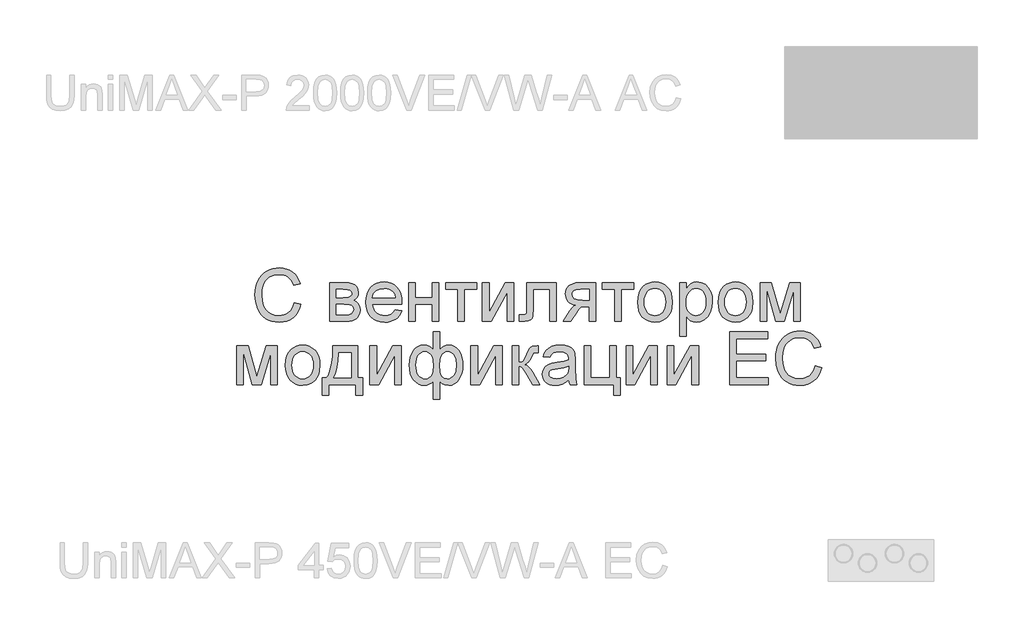
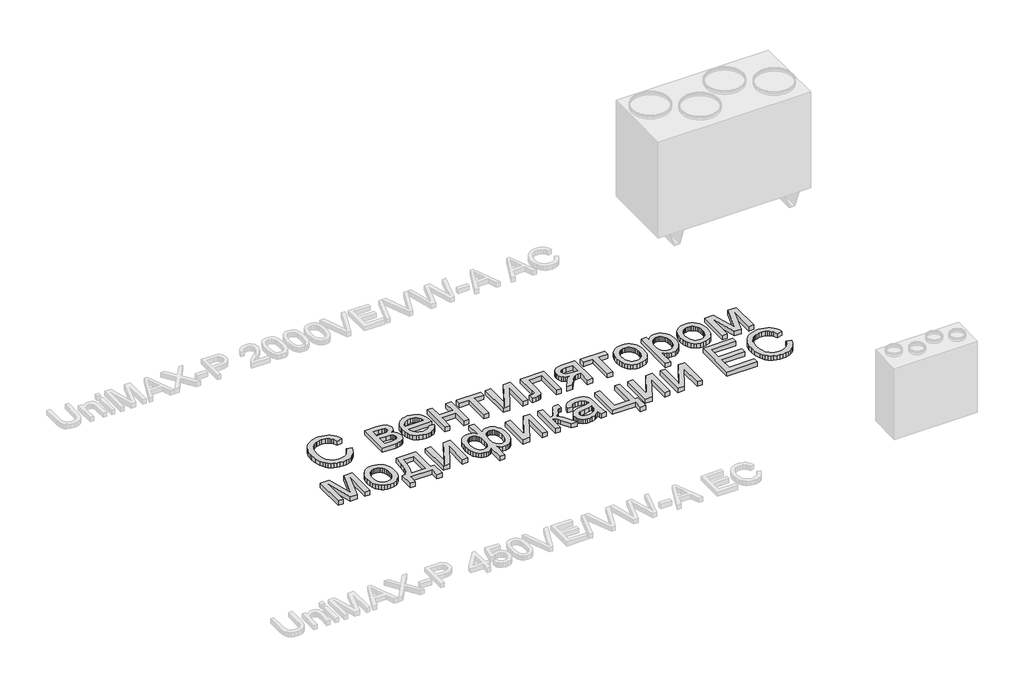
# One storey, part 4 of 74: 1 proxy.
"""IFC4 building model written with IfcOpenShell, lengths in millimetres."""

from ifc_helpers import new_model, si_unit, origin, origin_with_axes, place, context, project, spatial, polyline, outline, extrude, element, save

model = new_model("IFC4")

# Units and contexts
model_context = context("Model", 3, world=origin())
ifc_project = project(units=[si_unit("LENGTHUNIT", "METRE", prefix="MILLI")], contexts=[model_context])

# Site, building, storey
site = spatial("IfcSite", under=ifc_project)
building = spatial("IfcBuilding", under=site)
storey = spatial("IfcBuildingStorey", under=building, Elevation=0.0)

# Proxy
placement = place(None, origin())
element("IfcBuildingElementProxy", 1, Name="Generic Models", at=placement, inside=storey, context=model_context, shape_type="SweptSolid", body=[
    extrude(outline(polyline([(13462.4111042, -33678.9298031), (13518.6181221, -33693.4206749), (13507.4961035, -33728.3751002), (13492.6827549, -33758.9177687), (13474.1780763, -33785.0486803), (13451.9820677, -33806.7678349), (13426.5955972, -33823.8419516), (13398.5195331, -33836.0377492), (13367.7538754, -33843.3552278), (13334.2986241, -33845.7943874), (13300.0234583, -33843.9487223), (13269.1034234, -33838.4117273), (13241.5385193, -33829.1834022), (13217.3287461, -33816.2637471), (13196.1413351, -33799.8448758), (13177.6435177, -33780.1189021), (13161.8352939, -33757.0858261), (13148.7166637, -33730.7456477), (13131.0559138, -33672.699826), (13125.1689971, -33610.5372794), (13126.8328401, -33576.6360495), (13131.8243691, -33544.9715735), (13140.1435841, -33515.5438514), (13151.790485, -33488.3528832), (13166.5043461, -33463.848078), (13184.0244413, -33442.4788449), (13204.3507707, -33424.2451841), (13227.4833343, -33409.1470953), (13252.6365237, -33397.3080805), (13279.0247305, -33388.8516414), (13306.6479549, -33383.7777779), (13335.5061967, -33382.0864901), (13367.6543879, -33384.2752155), (13397.1335691, -33390.8413918), (13423.9437402, -33401.7850189), (13448.0849014, -33417.1060969), (13469.1591025, -33436.3998145), (13486.7683934, -33459.2613603), (13500.9127742, -33485.6907344), (13511.5922448, -33515.6879368), (13455.385227, -33529.0810153), (13435.8993956, -33488.0921573), (13423.4806087, -33472.4245883), (13409.2779076, -33459.9749259), (13393.208958, -33450.4893056), (13375.1914251, -33443.7138624), (13333.3106101, -33438.2935079), (13308.0956698, -33439.7961125), (13285.0351489, -33444.3039263), (13264.1290474, -33451.8169494), (13245.3773653, -33462.3351816), (13229.0168143, -33475.3851996), (13215.284106, -33490.4935802), (13204.1792405, -33507.6603232), (13195.7022177, -33526.8854286), (13184.9575656, -33568.0252332), (13181.3760149, -33610.4275001), (13185.6162416, -33662.353124), (13198.3369217, -33707.2528707), (13207.9975029, -33726.6392146), (13220.0183397, -33743.4114381), (13234.3994322, -33757.5695413), (13251.1407803, -33769.1135241), (13288.4520306, -33784.4689082), (13328.6998781, -33789.5873695), (13353.1360713, -33787.8446226), (13375.61682, -33782.6163819), (13396.1421245, -33773.9026475), (13414.7119846, -33761.7034192), (13430.887283, -33746.0735869), (13444.2289024, -33727.0680401), (13454.7368428, -33704.6867788), (13462.4111042, -33678.9298031)])), origin_with_axes(), (0.0, 0.0, 1.0), 50.0),
    extrude(outline(polyline([(13764.5238252, -33508.5522802), (13888.3549114, -33508.5522802), (13928.1636415, -33510.4322513), (13956.253428, -33516.0721645), (13976.9193872, -33526.7207596), (13994.4566355, -33543.6267767), (14006.4363051, -33565.6512552), (14010.4295283, -33591.6552344), (14008.014383, -33612.6093643), (14000.7689471, -33630.6817868), (13988.6657757, -33645.9548363), (13971.6774242, -33658.5108474), (13992.4806075, -33670.1886238), (14009.4415143, -33688.974612), (14020.7213406, -33713.3867909), (14024.4812827, -33741.9431395), (14021.359433, -33764.9487707), (14014.9579257, -33784.7845237), (14005.2767609, -33801.4503985), (13992.3159385, -33814.9463951), (13976.054875, -33825.3685704), (13956.4729867, -33832.8129814), (13933.5702736, -33837.2796279), (13907.3467358, -33838.7685101), (13764.5238252, -33838.7685101), (13764.5238252, -33508.5522802)]), holes=[polyline([(13820.730843, -33635.0180704), (13876.2791849, -33635.0180704), (13922.1120559, -33632.1638078), (13944.3972602, -33620.7467573), (13951.7661979, -33611.3057348), (13954.2225104, -33600.1082429), (13949.9136716, -33583.33945), (13936.9871553, -33572.5536306), (13913.6316025, -33566.7078812), (13878.0356542, -33564.7592981), (13820.730843, -33564.7592981), (13820.730843, -33635.0180704)]), polyline([(13820.730843, -33782.5614923), (13889.6722633, -33782.5614923), (13927.2442396, -33780.0228452), (13950.8193511, -33772.4069041), (13963.4714191, -33758.5609859), (13968.2742649, -33737.3324076), (13965.872842, -33723.2669307), (13958.6685733, -33710.2718023), (13947.6083057, -33700.1034917), (13933.6388857, -33694.5184682), (13884.1832968, -33691.2250883), (13820.730843, -33691.2250883), (13820.730843, -33782.5614923)])]), origin_with_axes(), (0.0, 0.0, 1.0), 50.0),
    extrude(outline(polyline([(14325.9353277, -33740.4062289), (14381.0445522, -33747.4321061), (14372.5949743, -33769.504613), (14361.1882156, -33788.9561383), (14346.8242762, -33805.7866821), (14329.503156, -33819.9962444), (14309.4032464, -33831.2829319), (14286.702939, -33839.3448516), (14261.4022336, -33844.1820034), (14233.5011304, -33845.7943874), (14198.6256089, -33843.0121674), (14167.5511968, -33834.6655076), (14140.2778941, -33820.7544079), (14116.8057007, -33801.2788683), (14097.9305169, -33776.7809243), (14084.4482427, -33747.8026114), (14076.3588782, -33714.3439294), (14073.6624233, -33676.4048785), (14076.386323, -33637.179351), (14084.558022, -33602.6057227), (14098.1775204, -33572.6839936), (14117.244818, -33547.4141637), (14140.6552605, -33527.3382684), (14167.3041933, -33512.9983432), (14197.1916164, -33504.394388), (14230.3175297, -33501.526403), (14262.3765252, -33504.3875268), (14291.3685606, -33512.9708983), (14317.2936359, -33527.2765175), (14340.1517511, -33547.3043843), (14358.8108069, -33572.5193246), (14372.1387039, -33602.386164), (14380.1354421, -33636.9049027), (14382.8010215, -33676.0755405), (14382.4716835, -33691.2250883), (14129.8694412, -33691.2250883), (14133.1250845, -33713.654378), (14139.5986345, -33733.2980171), (14149.2900911, -33750.1560058), (14162.1994544, -33764.2283439), (14177.6131587, -33775.3229176), (14194.8176383, -33783.2476131), (14213.8128933, -33788.0024304), (14234.5989237, -33789.5873695), (14264.5137916, -33786.6507724), (14289.7081482, -33777.840981), (14310.1819936, -33762.6090987), (14325.9353277, -33740.4062289)]), holes=[polyline([(14129.8694412, -33635.0180704), (14326.5940037, -33635.0180704), (14318.991785, -33605.3227612), (14304.0892407, -33584.0804605), (14288.7613015, -33572.5536306), (14271.3201101, -33564.3201808), (14251.7656667, -33559.3801108), (14230.0979711, -33557.7334209), (14192.2103792, -33562.9891064), (14160.8821024, -33578.7561629), (14148.4255789, -33590.1560604), (14139.1046275, -33603.3330108), (14132.9192483, -33618.2870141), (14129.8694412, -33635.0180704)])]), origin_with_axes(), (0.0, 0.0, 1.0), 50.0),
    extrude(outline(polyline([(14439.0080394, -33508.5522802), (14495.2150572, -33508.5522802), (14495.2150572, -33635.0180704), (14642.7584791, -33635.0180704), (14642.7584791, -33508.5522802), (14698.9654969, -33508.5522802), (14698.9654969, -33838.7685101), (14642.7584791, -33838.7685101), (14642.7584791, -33691.2250883), (14495.2150572, -33691.2250883), (14495.2150572, -33838.7685101), (14439.0080394, -33838.7685101), (14439.0080394, -33508.5522802)])), origin_with_axes(), (0.0, 0.0, 1.0), 50.0),
    extrude(outline(polyline([(14755.1725148, -33508.5522802), (15022.1558496, -33508.5522802), (15022.1558496, -33564.7592981), (14916.7676911, -33564.7592981), (14916.7676911, -33838.7685101), (14860.5606733, -33838.7685101), (14860.5606733, -33564.7592981), (14755.1725148, -33564.7592981), (14755.1725148, -33508.5522802)])), origin_with_axes(), (0.0, 0.0, 1.0), 50.0),
    extrude(outline(polyline([(15071.3369902, -33508.5522802), (15127.5440081, -33508.5522802), (15127.5440081, -33760.3860673), (15265.6464074, -33508.5522802), (15338.320325, -33508.5522802), (15338.320325, -33838.7685101), (15282.1133072, -33838.7685101), (15282.1133072, -33588.4716337), (15144.8891425, -33838.7685101), (15071.3369902, -33838.7685101), (15071.3369902, -33508.5522802)])), origin_with_axes(), (0.0, 0.0, 1.0), 50.0),
    extrude(outline(polyline([(15450.7343607, -33508.5522802), (15703.6659411, -33508.5522802), (15703.6659411, -33838.4391721), (15647.4589232, -33838.4391721), (15647.4589232, -33564.7592981), (15506.9413786, -33564.7592981), (15506.9413786, -33722.2926391), (15503.1539916, -33794.9665568), (15496.0595023, -33811.4197341), (15482.3508083, -33825.64988), (15461.5476249, -33835.4888526), (15433.1696676, -33838.7685101), (15387.5014656, -33835.9142475), (15387.5014656, -33782.5614923), (15412.6409326, -33782.5614923), (15438.0548479, -33779.1034433), (15444.4083267, -33774.6299356), (15448.2094361, -33768.1255101), (15450.7343607, -33719.1090385), (15450.7343607, -33508.5522802)])), origin_with_axes(), (0.0, 0.0, 1.0), 50.0),
    extrude(outline(polyline([(16040.9080482, -33508.5522802), (16040.9080482, -33838.7685101), (15984.7010303, -33838.7685101), (15984.7010303, -33712.30272), (15954.0725968, -33712.30272), (15929.6466954, -33714.0866341), (15912.3564507, -33719.4383765), (15895.6974371, -33734.9995968), (15873.1652293, -33767.4119445), (15828.3752619, -33838.7685101), (15763.3858975, -33838.7685101), (15819.812474, -33748.5298994), (15844.7323823, -33716.1449966), (15856.451326, -33706.703974), (15867.6762627, -33701.7639041), (15847.0377483, -33697.2012006), (15829.2534966, -33689.9900708), (15814.3235075, -33680.1305145), (15802.247781, -33667.6225319), (15786.2748882, -33637.872333), (15780.9505906, -33603.9505195), (15782.7688108, -33583.7099552), (15788.2234713, -33565.4728637), (15797.3145722, -33549.2392451), (15810.0421135, -33535.0090992), (15826.2139813, -33523.4342409), (15845.6380618, -33515.166485), (15868.314355, -33510.2058314), (15894.242861, -33508.5522802), (16040.9080482, -33508.5522802)]), holes=[polyline([(15984.7010303, -33564.7592981), (15910.5999814, -33564.7592981), (15872.3281619, -33568.0115108), (15859.3982149, -33572.0767767), (15850.6055766, -33577.7681489), (15840.5196005, -33591.8885154), (15837.1576085, -33608.2319135), (15842.1114008, -33629.6526056), (15856.9727778, -33644.5139826), (15884.4313332, -33653.2002722), (15927.1766605, -33656.0957021), (15984.7010303, -33656.0957021), (15984.7010303, -33564.7592981)])]), origin_with_axes(), (0.0, 0.0, 1.0), 50.0),
    extrude(outline(polyline([(16097.115066, -33508.5522802), (16364.0984008, -33508.5522802), (16364.0984008, -33564.7592981), (16258.7102423, -33564.7592981), (16258.7102423, -33838.7685101), (16202.5032245, -33838.7685101), (16202.5032245, -33564.7592981), (16097.115066, -33564.7592981), (16097.115066, -33508.5522802)])), origin_with_axes(), (0.0, 0.0, 1.0), 50.0),
    extrude(outline(polyline([(16399.227787, -33673.6603952), (16402.2673022, -33630.8944843), (16411.385848, -33594.0429348), (16426.5834242, -33563.1057469), (16447.8600309, -33538.0829205), (16469.280723, -33522.0894441), (16492.9244466, -33510.6655324), (16518.7912017, -33503.8111853), (16546.8809882, -33501.526403), (16577.8902188, -33504.3086229), (16605.9285462, -33512.6552828), (16630.9959705, -33526.5663825), (16653.0924916, -33546.041922), (16671.1271775, -33570.4232255), (16684.0090959, -33599.0516168), (16691.738247, -33631.9270961), (16694.3146307, -33669.0496632), (16689.7587884, -33725.8330226), (16684.0639856, -33749.140547), (16676.0912616, -33769.0586345), (16653.7100004, -33801.4298149), (16623.0129547, -33825.64988), (16586.5524942, -33840.7582605), (16546.8809882, -33845.7943874), (16515.4189178, -33843.0224592), (16487.1198645, -33834.7066748), (16461.9838281, -33820.8470342), (16440.0108087, -33801.4435373), (16422.1682367, -33776.8255222), (16409.4235424, -33747.3223268), (16401.7767258, -33712.9339511), (16399.227787, -33673.6603952)]), holes=[polyline([(16455.4348048, -33673.5506158), (16457.0609112, -33700.8136268), (16461.9392302, -33724.4196137), (16470.069762, -33744.3685766), (16481.4525065, -33760.6605156), (16495.2984247, -33773.3160142), (16510.8184777, -33782.355656), (16528.0126655, -33787.7794411), (16546.8809882, -33789.5873695), (16565.6532539, -33787.7691493), (16582.7788296, -33782.3144888), (16598.2577154, -33773.2233879), (16612.0899112, -33760.4958466), (16623.4726557, -33744.0426692), (16631.6031874, -33723.7746601), (16636.4815065, -33699.6918192), (16638.1076128, -33671.7941465), (16636.4712147, -33645.3956479), (16631.5620202, -33622.4071697), (16623.3800294, -33602.828712), (16611.9252422, -33586.6602748), (16598.0415874, -33574.0047762), (16582.5729934, -33564.9651343), (16565.5194603, -33559.5413492), (16546.8809882, -33557.7334209), (16528.0126655, -33559.534488), (16510.8184777, -33564.9376895), (16495.2984247, -33573.9430253), (16481.4525065, -33586.5504954), (16470.069762, -33602.7944059), (16461.9392302, -33622.7090628), (16457.0609112, -33646.2944661), (16455.4348048, -33673.5506158)])]), origin_with_axes(), (0.0, 0.0, 1.0), 50.0),
    extrude(outline(polyline([(16757.5475258, -33965.2343003), (16757.5475258, -33508.5522802), (16813.7545436, -33508.5522802), (16813.7545436, -33563.6615048), (16832.087692, -33536.4773978), (16852.6164271, -33517.0601784), (16876.5483214, -33505.4098469), (16905.0909476, -33501.526403), (16943.1020413, -33506.9604799), (16976.3377339, -33523.2627107), (17003.3983392, -33549.4450813), (17022.8841706, -33584.5195778), (17034.6580039, -33625.9338307), (17038.582615, -33671.1354705), (17034.1502745, -33719.2050954), (17020.853253, -33762.1974262), (16999.1169453, -33797.9305987), (16969.3667464, -33824.2227487), (16934.7176448, -33840.4014777), (16898.2846291, -33845.7943874), (16872.4453189, -33842.1853918), (16849.3779368, -33831.3584052), (16829.6313795, -33815.0150072), (16813.7545436, -33794.8567774), (16813.7545436, -33965.2343003), (16757.5475258, -33965.2343003)]), holes=[polyline([(16813.7545436, -33676.2950991), (16815.2743013, -33703.3831492), (16819.8335741, -33726.6838124), (16827.4323622, -33746.1970886), (16838.0706656, -33761.9229779), (16850.8771108, -33774.0261492), (16864.9803243, -33782.6712716), (16880.3803062, -33787.858345), (16897.0770564, -33789.5873695), (16914.013949, -33787.7965942), (16929.6952404, -33782.4242681), (16944.1209307, -33773.4703914), (16957.2910199, -33760.9349639), (16968.2655225, -33744.6395944), (16976.1044529, -33724.4058913), (16980.8078111, -33700.2338547), (16982.3755972, -33672.1234845), (16980.8455478, -33645.2687155), (16976.2553994, -33622.0092196), (16968.6051523, -33602.3449968), (16957.8948062, -33586.2760471), (16945.0574856, -33573.7886481), (16931.0263148, -33564.8690774), (16915.8012937, -33559.517335), (16899.3824224, -33557.7334209), (16883.0150102, -33559.6305449), (16867.6150283, -33565.3219172), (16853.1824768, -33574.8075375), (16839.7173556, -33588.0874061), (16828.3586254, -33604.9831314), (16820.2452466, -33625.316322), (16815.3772194, -33649.0869779), (16813.7545436, -33676.2950991)])]), origin_with_axes(), (0.0, 0.0, 1.0), 50.0),
    extrude(outline(polyline([(17087.7637557, -33673.6603952), (17090.8032709, -33630.8944843), (17099.9218167, -33594.0429348), (17115.1193929, -33563.1057469), (17136.3959996, -33538.0829205), (17157.8166917, -33522.0894441), (17181.4604153, -33510.6655324), (17207.3271703, -33503.8111853), (17235.4169569, -33501.526403), (17266.4261875, -33504.3086229), (17294.4645149, -33512.6552828), (17319.5319392, -33526.5663825), (17341.6284603, -33546.041922), (17359.6631462, -33570.4232255), (17372.5450646, -33599.0516168), (17380.2742157, -33631.9270961), (17382.8505994, -33669.0496632), (17378.2947571, -33725.8330226), (17372.5999543, -33749.140547), (17364.6272303, -33769.0586345), (17342.2459691, -33801.4298149), (17311.5489234, -33825.64988), (17275.0884629, -33840.7582605), (17235.4169569, -33845.7943874), (17203.9548865, -33843.0224592), (17175.6558331, -33834.7066748), (17150.5197968, -33820.8470342), (17128.5467774, -33801.4435373), (17110.7042054, -33776.8255222), (17097.9595111, -33747.3223268), (17090.3126945, -33712.9339511), (17087.7637557, -33673.6603952)]), holes=[polyline([(17143.9707735, -33673.5506158), (17145.5968799, -33700.8136268), (17150.4751989, -33724.4196137), (17158.6057307, -33744.3685766), (17169.9884751, -33760.6605156), (17183.8343934, -33773.3160142), (17199.3544464, -33782.355656), (17216.5486342, -33787.7794411), (17235.4169569, -33789.5873695), (17254.1892226, -33787.7691493), (17271.3147983, -33782.3144888), (17286.7936841, -33773.2233879), (17300.6258799, -33760.4958466), (17312.0086244, -33744.0426692), (17320.1391561, -33723.7746601), (17325.0174752, -33699.6918192), (17326.6435815, -33671.7941465), (17325.0071834, -33645.3956479), (17320.0979889, -33622.4071697), (17311.9159981, -33602.828712), (17300.4612109, -33586.6602748), (17286.5775561, -33574.0047762), (17271.1089621, -33564.9651343), (17254.055429, -33559.5413492), (17235.4169569, -33557.7334209), (17216.5486342, -33559.534488), (17199.3544464, -33564.9376895), (17183.8343934, -33573.9430253), (17169.9884751, -33586.5504954), (17158.6057307, -33602.7944059), (17150.4751989, -33622.7090628), (17145.5968799, -33646.2944661), (17143.9707735, -33673.5506158)])]), origin_with_axes(), (0.0, 0.0, 1.0), 50.0),
    extrude(outline(polyline([(17446.0834945, -33508.5522802), (17542.7990857, -33508.5522802), (17617.339252, -33772.9009111), (17697.6977228, -33508.5522802), (17790.3514788, -33508.5522802), (17790.3514788, -33838.7685101), (17734.144461, -33838.7685101), (17734.144461, -33572.8829686), (17653.3468728, -33838.7685101), (17579.5751619, -33838.7685101), (17502.2905123, -33560.1485662), (17502.2905123, -33838.7685101), (17446.0834945, -33838.7685101), (17446.0834945, -33508.5522802)])), origin_with_axes(), (0.0, 0.0, 1.0), 50.0),
    extrude(outline(polyline([(12970.599698, -34048.9843634), (13067.3152893, -34048.9843634), (13141.8554555, -34313.3329943), (13222.2139263, -34048.9843634), (13314.8676823, -34048.9843634), (13314.8676823, -34379.2005933), (13258.6606645, -34379.2005933), (13258.6606645, -34113.3150518), (13177.8630763, -34379.2005933), (13104.0913654, -34379.2005933), (13026.8067158, -34100.5806493), (13026.8067158, -34379.2005933), (12970.599698, -34379.2005933), (12970.599698, -34048.9843634)])), origin_with_axes(), (0.0, 0.0, 1.0), 50.0),
    extrude(outline(polyline([(13385.1264547, -34214.0924784), (13388.1659699, -34171.3265674), (13397.2845156, -34134.475018), (13412.4820919, -34103.5378301), (13433.7586986, -34078.5150037), (13455.1793907, -34062.5215273), (13478.8231143, -34051.0976156), (13504.6898693, -34044.2432685), (13532.7796558, -34041.9584862), (13563.7888865, -34044.7407061), (13591.8272139, -34053.0873659), (13616.8946382, -34066.9984656), (13638.9911593, -34086.4740052), (13657.0258451, -34110.8553087), (13669.9077636, -34139.4837), (13677.6369147, -34172.3591793), (13680.2132984, -34209.4817464), (13675.6574561, -34266.2651058), (13669.9626533, -34289.5726301), (13661.9899293, -34309.4907176), (13639.608668, -34341.8618981), (13608.9116224, -34366.0819632), (13572.4511619, -34381.1903437), (13532.7796558, -34386.2264705), (13501.3175855, -34383.4545424), (13473.0185321, -34375.138758), (13447.8824958, -34361.2791174), (13425.9094764, -34341.8756205), (13408.0669044, -34317.2576054), (13395.3222101, -34287.75441), (13387.6753935, -34253.3660343), (13385.1264547, -34214.0924784)]), holes=[polyline([(13441.3334725, -34213.982699), (13442.9595789, -34241.2457099), (13447.8378979, -34264.8516969), (13455.9684297, -34284.8006598), (13467.3511741, -34301.0925988), (13481.1970923, -34313.7480974), (13496.7171454, -34322.7877392), (13513.9113332, -34328.2115243), (13532.7796558, -34330.0194527), (13551.5519216, -34328.2012325), (13568.6774973, -34322.746572), (13584.1563831, -34313.655471), (13597.9885789, -34300.9279298), (13609.3713234, -34284.4747524), (13617.5018551, -34264.2067433), (13622.3801742, -34240.1239024), (13624.0062805, -34212.2262297), (13622.3698824, -34185.827731), (13617.4606879, -34162.8392529), (13609.2786971, -34143.2607952), (13597.8239099, -34127.092358), (13583.940255, -34114.4368594), (13568.4716611, -34105.3972175), (13551.418128, -34099.9734324), (13532.7796558, -34098.165504), (13513.9113332, -34099.9665712), (13496.7171454, -34105.3697727), (13481.1970923, -34114.3751085), (13467.3511741, -34126.9825786), (13455.9684297, -34143.2264891), (13447.8378979, -34163.141146), (13442.9595789, -34186.7265493), (13441.3334725, -34213.982699)])]), origin_with_axes(), (0.0, 0.0, 1.0), 50.0),
    extrude(outline(polyline([(13792.6273341, -34048.9843634), (14003.403651, -34048.9843634), (14003.403651, -34322.9935754), (14045.5589144, -34322.9935754), (14045.5589144, -34470.5369973), (13989.3518966, -34470.5369973), (13989.3518966, -34379.2005933), (13757.4979479, -34379.2005933), (13757.4979479, -34470.5369973), (13701.2909301, -34470.5369973), (13701.2909301, -34322.9935754), (13736.4203162, -34322.9935754), (13750.1461633, -34301.7821502), (13761.9577333, -34276.8450889), (13779.8380419, -34215.794058), (13790.0612422, -34139.8404829), (13792.6273341, -34048.9843634)]), holes=[polyline([(13841.8084747, -34105.1913813), (13837.1977428, -34174.0092999), (13828.6349549, -34233.2489717), (13816.1201111, -34282.9103969), (13799.6532113, -34322.9935754), (13947.1966332, -34322.9935754), (13947.1966332, -34105.1913813), (13841.8084747, -34105.1913813)])]), origin_with_axes(), (0.0, 0.0, 1.0), 50.0),
    extrude(outline(polyline([(14108.7918095, -34048.9843634), (14164.9988274, -34048.9843634), (14164.9988274, -34300.8181504), (14303.1012267, -34048.9843634), (14375.7751443, -34048.9843634), (14375.7751443, -34379.2005933), (14319.5681264, -34379.2005933), (14319.5681264, -34128.9037169), (14182.3439618, -34379.2005933), (14108.7918095, -34379.2005933), (14108.7918095, -34048.9843634)])), origin_with_axes(), (0.0, 0.0, 1.0), 50.0),
    extrude(outline(polyline([(14649.7843563, -33929.5444505), (14705.9913742, -33929.5444505), (14705.9913742, -34080.7105903), (14723.0483378, -34063.6536266), (14741.7245467, -34051.5641777), (14761.9376661, -34044.3599091), (14783.6053617, -34041.9584862), (14809.6264939, -34045.0117238), (14832.8002248, -34054.1714368), (14853.1265542, -34069.4376252), (14870.6054821, -34090.8102888), (14884.653806, -34116.814268), (14894.688323, -34145.974403), (14900.7090333, -34178.2906938), (14902.7159367, -34213.7631404), (14900.5546561, -34250.5495083), (14894.0708143, -34283.6239626), (14883.2644113, -34312.9865032), (14868.1354472, -34338.6371302), (14849.7954376, -34359.4574666), (14829.3558982, -34374.3291355), (14806.8168292, -34383.2521368), (14782.1782304, -34386.2264705), (14747.8172996, -34380.7375039), (14728.6333614, -34370.5005813), (14705.9913742, -34350.7677464), (14705.9913742, -34505.6663835), (14649.7843563, -34505.6663835), (14649.7843563, -34350.7677464), (14632.6862254, -34366.2466322), (14613.8865148, -34377.3343447), (14593.4401143, -34384.0034391), (14571.4019135, -34386.2264705), (14547.0583466, -34383.3859303), (14524.3065801, -34374.8643097), (14503.146614, -34360.6616087), (14483.5784481, -34340.7778272), (14467.1527156, -34315.6040542), (14455.4200495, -34285.5313785), (14448.3804498, -34250.5598001), (14446.0339166, -34210.6893191), (14448.1574606, -34176.2940822), (14454.5280924, -34144.7942752), (14465.1458121, -34116.1898981), (14480.0106198, -34090.4809508), (14498.4638393, -34069.2523725), (14519.8467948, -34054.0891023), (14544.1594862, -34044.9911402), (14571.4019135, -34041.9584862), (14594.3046265, -34044.3599091), (14614.9294185, -34051.5641777), (14633.3860686, -34063.6536266), (14649.7843563, -34080.7105903), (14649.7843563, -33929.5444505)]), holes=[polyline([(14705.6620362, -34215.0804923), (14710.3413802, -34271.9873534), (14716.1905602, -34292.0735405), (14724.3794122, -34306.5815654), (14745.4707664, -34324.1599808), (14771.3100766, -34330.0194527), (14786.3258308, -34328.2183855), (14800.1957632, -34322.815184), (14812.9198739, -34313.8098482), (14824.4981628, -34301.2023781), (14834.1278686, -34284.8006598), (14841.0062298, -34264.4125795), (14846.5089188, -34211.6773331), (14841.4316247, -34161.6728475), (14835.0850071, -34142.1458488), (14826.1997424, -34126.269013), (14815.3247274, -34113.9737278), (14803.0088586, -34105.1913813), (14789.2521361, -34099.9219733), (14774.0545599, -34098.165504), (14758.0919589, -34099.994016), (14744.2357489, -34105.479552), (14732.4859298, -34114.622112), (14722.8425016, -34127.4216959), (14715.326048, -34143.8714427), (14709.9571525, -34163.964491), (14705.6620362, -34215.0804923)]), polyline([(14502.2409345, -34209.4817464), (14503.6474822, -34239.2936962), (14507.8671252, -34264.6184158), (14514.8998637, -34285.4559052), (14524.7456975, -34301.8061644), (14536.6773386, -34314.149478), (14549.9674989, -34322.9661306), (14564.6161785, -34328.2561222), (14580.6233773, -34330.0194527), (14596.9770672, -34328.266414), (14611.1283091, -34323.0072979), (14623.0771033, -34314.2421043), (14632.8234496, -34301.9708334), (14640.3879317, -34286.1934851), (14645.7911331, -34266.9100593), (14650.1136943, -34217.8249756), (14645.5715745, -34165.4739568), (14639.8939247, -34144.9074851), (14631.9452149, -34128.0803719), (14621.7048616, -34114.9926172), (14609.1522812, -34105.644221), (14594.2874735, -34100.0351833), (14577.1104387, -34098.165504), (14561.3022149, -34099.9905854), (14547.0309018, -34105.4658296), (14534.2964993, -34114.5912365), (14523.0990075, -34127.3668063), (14513.9736005, -34143.4494784), (14507.4554527, -34162.4961924), (14502.2409345, -34209.4817464)])]), origin_with_axes(), (0.0, 0.0, 1.0), 50.0),
    extrude(outline(polyline([(14972.974709, -34048.9843634), (15029.1817268, -34048.9843634), (15029.1817268, -34300.8181504), (15167.2841262, -34048.9843634), (15239.9580438, -34048.9843634), (15239.9580438, -34379.2005933), (15183.7510259, -34379.2005933), (15183.7510259, -34128.9037169), (15046.5268612, -34379.2005933), (14972.974709, -34379.2005933), (14972.974709, -34048.9843634)])), origin_with_axes(), (0.0, 0.0, 1.0), 50.0),
    extrude(outline(polyline([(15324.2685706, -34048.9843634), (15380.4755884, -34048.9843634), (15380.4755884, -34189.501908), (15403.3371342, -34186.9769834), (15418.1298992, -34179.4022095), (15431.2210845, -34159.6419298), (15448.9778914, -34120.5604877), (15463.2903718, -34088.6009798), (15474.6113654, -34069.7875468), (15485.1776261, -34059.5369017), (15497.2259077, -34053.2657574), (15538.3382675, -34048.9843634), (15549.096642, -34048.9843634), (15549.096642, -34105.5207193), (15533.9470942, -34105.1913813), (15516.3824011, -34106.6734022), (15506.5022612, -34111.1194652), (15487.1810989, -34148.1151), (15475.3112086, -34172.7742824), (15464.5116669, -34188.1296664), (15451.434204, -34198.3803115), (15432.7305503, -34207.7252771), (15450.5422469, -34215.6362502), (15468.1892745, -34229.598809), (15485.671633, -34249.6129534), (15502.9893226, -34275.6786835), (15563.1483964, -34379.2005933), (15499.2568254, -34379.2005933), (15440.3053242, -34277.8742701), (15424.3873211, -34250.9097217), (15410.6649046, -34235.0054411), (15396.805264, -34227.2248309), (15380.4755884, -34224.6312942), (15380.4755884, -34379.2005933), (15324.2685706, -34379.2005933), (15324.2685706, -34048.9843634)])), origin_with_axes(), (0.0, 0.0, 1.0), 50.0),
    extrude(outline(polyline([(15809.0540995, -34337.0453299), (15782.1993305, -34360.0715447), (15754.5486613, -34375.138758), (15725.4708608, -34383.4545424), (15694.3346979, -34386.2264705), (15669.3084408, -34384.5591969), (15647.3628663, -34379.5573761), (15628.4979742, -34371.2210081), (15612.7137647, -34359.5500929), (15600.2503799, -34345.285641), (15591.3479623, -34329.1686629), (15586.0065117, -34311.1991585), (15584.2260281, -34291.3771279), (15586.9156217, -34268.0764647), (15594.9844026, -34246.9164985), (15607.4306344, -34228.8029088), (15623.2525806, -34214.641375), (15641.8464549, -34203.9378902), (15662.608471, -34196.1984473), (15711.2407149, -34187.7454387), (15768.7101951, -34178.8533129), (15808.7247615, -34168.4242764), (15809.0540995, -34155.9094325), (15805.1843781, -34130.8248552), (15793.5752138, -34114.4128451), (15767.6124018, -34102.2273393), (15731.440112, -34098.165504), (15697.9574158, -34100.8688201), (15674.5744181, -34108.9787682), (15658.6289702, -34123.9773694), (15647.4589232, -34147.3466447), (15591.2519054, -34140.3207674), (15601.0085435, -34109.5825545), (15615.5680273, -34085.4311016), (15636.2888762, -34066.960729), (15664.5296093, -34053.2657574), (15699.0689315, -34044.785304), (15738.6855479, -34041.9584862), (15776.6829191, -34044.455966), (15806.8036232, -34051.9484054), (15829.5142225, -34063.2145093), (15845.281279, -34077.0329827), (15855.7377604, -34094.1173912), (15862.5166341, -34115.1813005), (15865.2611174, -34164.3624411), (15865.2611174, -34234.2918754), (15868.11538, -34331.940591), (15879.3128718, -34379.2005933), (15823.105854, -34379.2005933), (15814.1039488, -34359.6598722), (15809.0540995, -34337.0453299)]), holes=[polyline([(15809.0540995, -34224.6312942), (15771.2900094, -34233.9899822), (15718.3763715, -34241.8666493), (15670.0185759, -34250.9783338), (15657.43512, -34257.2083109), (15648.1175992, -34265.7985436), (15642.3541843, -34276.090356), (15640.433046, -34287.425072), (15644.618383, -34304.1389752), (15657.1743941, -34317.8339469), (15677.8266308, -34326.9730762), (15706.300645, -34330.0194527), (15736.4899612, -34326.6574606), (15763.1663389, -34316.5714845), (15784.7928672, -34301.7101075), (15799.8326357, -34284.0219127), (15806.5017301, -34265.7985436), (15808.7247615, -34240.5492973), (15809.0540995, -34224.6312942)])]), origin_with_axes(), (0.0, 0.0, 1.0), 50.0),
    extrude(outline(polyline([(15942.5457669, -34048.9843634), (15998.7527848, -34048.9843634), (15998.7527848, -34322.9935754), (16160.3479611, -34322.9935754), (16160.3479611, -34048.9843634), (16216.554979, -34048.9843634), (16216.554979, -34322.9935754), (16251.6843651, -34322.9935754), (16251.6843651, -34470.5369973), (16195.4773473, -34470.5369973), (16195.4773473, -34379.2005933), (15942.5457669, -34379.2005933), (15942.5457669, -34048.9843634)])), origin_with_axes(), (0.0, 0.0, 1.0), 50.0),
    extrude(outline(polyline([(16300.8655057, -34048.9843634), (16357.0725236, -34048.9843634), (16357.0725236, -34300.8181504), (16495.1749229, -34048.9843634), (16567.8488405, -34048.9843634), (16567.8488405, -34379.2005933), (16511.6418227, -34379.2005933), (16511.6418227, -34128.9037169), (16374.417658, -34379.2005933), (16300.8655057, -34379.2005933), (16300.8655057, -34048.9843634)])), origin_with_axes(), (0.0, 0.0, 1.0), 50.0),
    extrude(outline(polyline([(16652.1593673, -34048.9843634), (16708.3663852, -34048.9843634), (16708.3663852, -34300.8181504), (16846.4687845, -34048.9843634), (16919.1427021, -34048.9843634), (16919.1427021, -34379.2005933), (16862.9356843, -34379.2005933), (16862.9356843, -34128.9037169), (16725.7115196, -34379.2005933), (16652.1593673, -34379.2005933), (16652.1593673, -34048.9843634)])), origin_with_axes(), (0.0, 0.0, 1.0), 50.0),
    extrude(outline(polyline([(17186.1260369, -34379.2005933), (17186.1260369, -33929.5444505), (17509.3163896, -33929.5444505), (17509.3163896, -33985.7514683), (17242.3330548, -33985.7514683), (17242.3330548, -34119.2431357), (17495.2646351, -34119.2431357), (17495.2646351, -34175.4501536), (17242.3330548, -34175.4501536), (17242.3330548, -34322.9935754), (17516.3422668, -34322.9935754), (17516.3422668, -34379.2005933), (17186.1260369, -34379.2005933)])), origin_with_axes(), (0.0, 0.0, 1.0), 50.0),
    extrude(outline(polyline([(17916.817269, -34219.3618863), (17973.0242868, -34233.8527581), (17961.9022683, -34268.8071834), (17947.0889197, -34299.3498519), (17928.5842411, -34325.4807634), (17906.3882325, -34347.1999181), (17881.001762, -34364.2740348), (17852.9256979, -34376.4698324), (17822.1600402, -34383.787311), (17788.7047888, -34386.2264705), (17754.4296231, -34384.3808055), (17723.5095882, -34378.8438105), (17695.9446841, -34369.6154854), (17671.7349109, -34356.6958303), (17650.5474998, -34340.276959), (17632.0496824, -34320.5509853), (17616.2414587, -34297.5179093), (17603.1228285, -34271.1777309), (17585.4620785, -34213.1319092), (17579.5751619, -34150.9693626), (17581.2390049, -34117.0681327), (17586.2305339, -34085.4036567), (17594.5497488, -34055.9759346), (17606.1966498, -34028.7849664), (17620.9105109, -34004.2801612), (17638.4306061, -33982.9109281), (17658.7569355, -33964.6772672), (17681.8894991, -33949.5791785), (17707.0426884, -33937.7401637), (17733.4308953, -33929.2837246), (17761.0541197, -33924.2098611), (17789.9123615, -33922.5185732), (17822.0605527, -33924.7072987), (17851.5397338, -33931.273475), (17878.349905, -33942.2171021), (17902.4910662, -33957.5381801), (17923.5652673, -33976.8318976), (17941.1745582, -33999.6934435), (17955.318939, -34026.1228176), (17965.9984096, -34056.12002), (17909.7913918, -34069.5130985), (17890.3055604, -34028.5242405), (17877.8867735, -34012.8566715), (17863.6840724, -34000.4070091), (17847.6151227, -33990.9213887), (17829.5975899, -33984.1459456), (17787.7167749, -33978.7255911), (17762.5018346, -33980.2281957), (17739.4413137, -33984.7360095), (17718.5352122, -33992.2490325), (17699.7835301, -34002.7672648), (17683.4229791, -34015.8172828), (17669.6902708, -34030.9256633), (17658.5854053, -34048.0924063), (17650.1083825, -34067.3175118), (17639.3637304, -34108.4573164), (17635.7821797, -34150.8595833), (17640.0224064, -34202.7852072), (17652.7430865, -34247.6849539), (17662.4036677, -34267.0712977), (17674.4245045, -34283.8435213), (17688.805597, -34298.0016245), (17705.546945, -34309.5456073), (17742.8581954, -34324.9009913), (17783.1060429, -34330.0194527), (17807.542236, -34328.2767058), (17830.0229848, -34323.0484651), (17850.5482893, -34314.3347307), (17869.1181493, -34302.1355024), (17885.2934478, -34286.5056701), (17898.6350672, -34267.5001233), (17909.1430076, -34245.118862), (17916.817269, -34219.3618863)])), origin_with_axes(), (0.0, 0.0, 1.0), 50.0),
])

save(model, "model.ifc")
